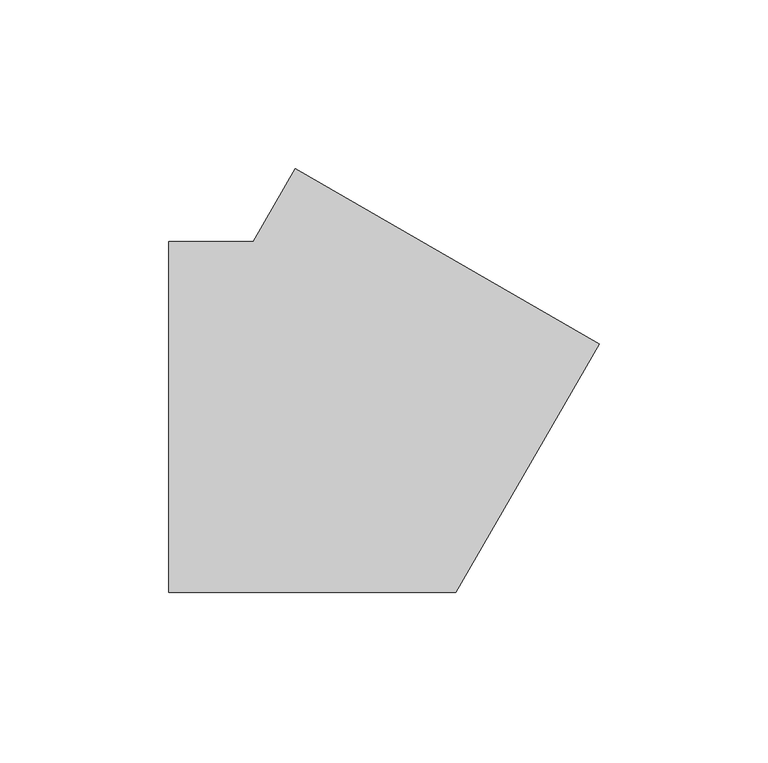
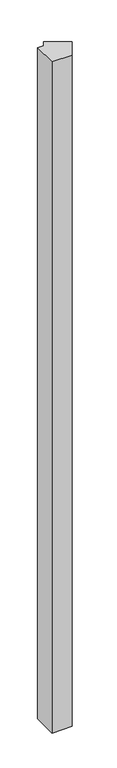
"""IFC4 building model written with IfcOpenShell, lengths in millimetres: member geometry."""

from ifc_helpers import new_model, si_unit, frame, origin, place, context, project, spatial, polyline, outline, extrude, source, transform, mapped, element, save


def member_17708f70(model_context):
    return source(origin(), model_context, "Body", "SweptSolid", [
        extrude(outline(polyline([(72.533321, 21.6313972), (30.022214, -52.0), (-55.0, -52.0), (-55.0, 52.0), (-30.022214, 52.0), (-17.533321, 73.6313972), (72.533321, 21.6313972)])), frame((0.0, 0.0, -3000.0), z_axis=(0.0, 0.0, 1.0), x_axis=(1.0, 0.0, 0.0)), (0.0, 0.0, 1.0), 3000.0),
    ])


if __name__ == "__main__":
    model = new_model("IFC4")
    model_context = context("Model", 3, world=origin())
    ifc_project = project(units=[si_unit("LENGTHUNIT", "METRE", prefix="MILLI")], contexts=[model_context])
    site = spatial("IfcSite", under=ifc_project)
    building = spatial("IfcBuilding", under=site)
    placement = place(None, origin())
    member_shape = member_17708f70(model_context)
    element("IfcMember", 1, at=placement, inside=building, context=model_context, shape_type="MappedRepresentation", body=[
        mapped(member_shape, transform((0.0, 0.0, 0.0), x_axis=(1.0, 0.0, 0.0), y_axis=(0.0, 1.0, 0.0), z_axis=(0.0, 0.0, 1.0))),
    ])
    save(model, "model.ifc")
